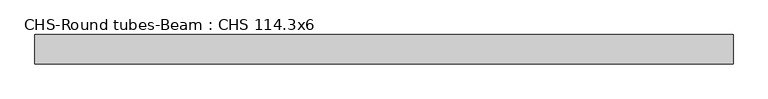
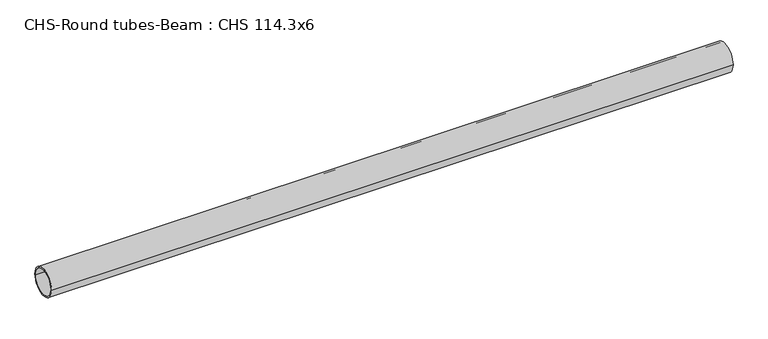
"""IFC4 building model written with IfcOpenShell, lengths in millimetres: beam geometry, CHS-Round tubes-Beam : CHS 114.3x6."""

from ifc_helpers import new_model, si_unit, point, frame, origin, origin_2d, place, context, project, spatial, circle_curve, trimmed, segment, composite_curve, outline, extrude, source, transform, mapped, element, save


def chs_round_tubes_beam_chs_114_3x6_04b5a0ca(model_context):
    return source(origin(), model_context, "Body", "SweptSolid", [
        extrude(outline(composite_curve([segment(trimmed(circle_curve(origin_2d(), 57.15), [point((57.15, 0.0))], [point((-57.15, 0.0))], False, "CARTESIAN"), True, "CONTINUOUS"), segment(trimmed(circle_curve(origin_2d(), 57.15), [point((-57.15, 0.0))], [point((57.15, 0.0))], False, "CARTESIAN"), True, "CONTINUOUS")], self_intersect=False), holes=[composite_curve([segment(trimmed(circle_curve(origin_2d(), 51.15), [point((51.15, 0.0))], [point((-51.15, 0.0))], True, "CARTESIAN"), True, "CONTINUOUS"), segment(trimmed(circle_curve(origin_2d(), 51.15), [point((-51.15, 0.0))], [point((51.15, 0.0))], True, "CARTESIAN"), True, "CONTINUOUS")], self_intersect=False)]), frame((-1277.1023031, 0.0, 0.0), z_axis=(1.0, 0.0, 0.0), x_axis=(0.0, 1.0, 0.0)), (0.0, 0.0, 1.0), 2716.2112045),
    ])


if __name__ == "__main__":
    model = new_model("IFC4")
    model_context = context("Model", 3, world=origin())
    ifc_project = project(units=[si_unit("LENGTHUNIT", "METRE", prefix="MILLI")], contexts=[model_context])
    site = spatial("IfcSite", under=ifc_project)
    building = spatial("IfcBuilding", under=site)
    placement = place(None, origin())
    chs_round_tubes_beam_chs_114_3x6_shape = chs_round_tubes_beam_chs_114_3x6_04b5a0ca(model_context)
    element("IfcBeam", 1, ObjectType="CHS-Round tubes-Beam : CHS 114.3x6", at=placement, inside=building, context=model_context, shape_type="MappedRepresentation", body=[
        mapped(chs_round_tubes_beam_chs_114_3x6_shape, transform((0.0, 0.0, 0.0), x_axis=(1.0, 0.0, 0.0), y_axis=(0.0, 1.0, 0.0), z_axis=(0.0, 0.0, 1.0))),
    ])
    save(model, "model.ifc")
